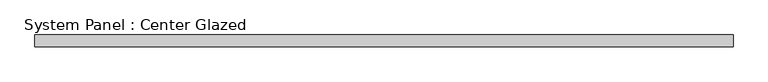
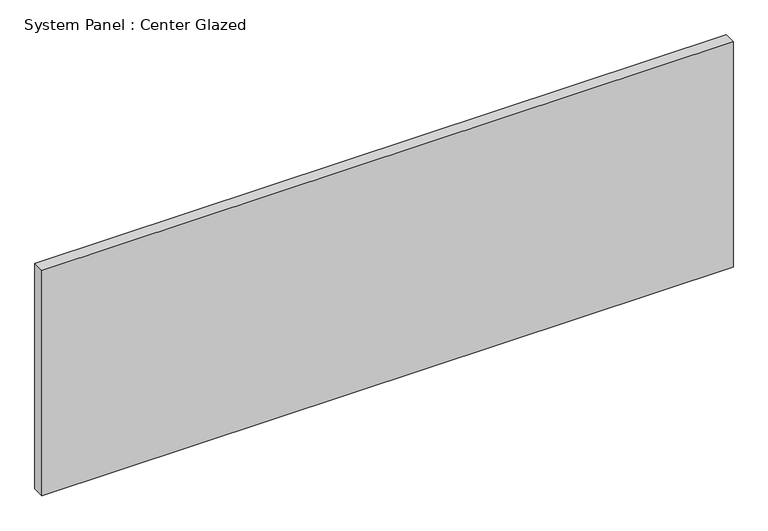
"""IFC4 building model written with IfcOpenShell, lengths in millimetres: plate geometry, System Panel : Center Glazed."""

import ifcopenshell
import ifcopenshell.guid

model = None  # the IFC model being written
_history = None  # IfcOwnerHistory: only IFC2X3 demands one
_inside = {}  # id of a spatial element -> (the spatial element, [elements in it])
_under = {}  # id of a project, library or spatial element -> (it, [spatial elements below it])
_declared = {}  # id of a project -> (the project, [libraries it declares])
_typed = {}  # id of a type object -> (the type object, [elements of that type])
_made_of = {}  # id of a material, layer set ... -> (it, [elements and type objects made of it])


def new_model(schema):
    """Start an empty IFC model of exactly this schema.

    Asked for "IFC4X3", IfcOpenShell would pick the latest addendum, in which some entities
    have other attributes; the version numbers below select the first issue.
    IFC2X3 requires an IfcOwnerHistory on every rooted entity: one is made here for all.
    """
    global model, _history
    if schema == "IFC4X3":
        model = ifcopenshell.file(schema_version=(4, 3, 0, 0))
    else:
        model = ifcopenshell.file(schema=schema)
    _inside.clear()
    _under.clear()
    _declared.clear()
    _typed.clear()
    _made_of.clear()
    _history = None
    if model.schema == "IFC2X3":
        org = make("IfcOrganization", Name="unknown")
        user = make(
            "IfcPersonAndOrganization",
            ThePerson=make("IfcPerson", FamilyName="unknown"),
            TheOrganization=org,
        )
        app = make(
            "IfcApplication",
            ApplicationDeveloper=org,
            Version="unknown",
            ApplicationFullName="unknown",
            ApplicationIdentifier="unknown",
        )
        _history = make(
            "IfcOwnerHistory",
            OwningUser=user,
            OwningApplication=app,
            ChangeAction="ADDED",
            CreationDate=0,
        )
    return model


def make(cls, **values):
    """One entity of the class cls with the attributes given. An attribute that is None is left unset."""
    return model.create_entity(
        cls, **{name: value for name, value in values.items() if value is not None}
    )


def rooted(cls, **values):
    """An entity with a GlobalId (a new one), such as an element, a storey or a relation."""
    return make(cls, GlobalId=ifcopenshell.guid.new(), OwnerHistory=_history, **values)


def si_unit(unit_type, name, prefix=None):
    """IfcSIUnit, for example si_unit("LENGTHUNIT", "METRE", prefix="MILLI")."""
    return make("IfcSIUnit", UnitType=unit_type, Prefix=prefix, Name=name)


def assignment(units):
    """IfcUnitAssignment: the units of a project."""
    return None if units is None else make("IfcUnitAssignment", Units=units)


def point(xyz):
    """IfcCartesianPoint."""
    return None if xyz is None else make("IfcCartesianPoint", Coordinates=xyz)


def direction(xyz):
    """IfcDirection."""
    return None if xyz is None else make("IfcDirection", DirectionRatios=xyz)


def frame(location, z_axis=None, x_axis=None):
    """IfcAxis2Placement3D, a coordinate frame: its origin and axes. An axis left out is left unset."""
    return make(
        "IfcAxis2Placement3D",
        Location=point(location),
        Axis=direction(z_axis),
        RefDirection=direction(x_axis),
    )


def origin():
    """The frame at (0, 0, 0) with its axes left unset."""
    return frame((0.0, 0.0, 0.0))


def origin_with_axes():
    """The frame at (0, 0, 0) with the z axis (0, 0, 1) and the x axis (1, 0, 0) written out."""
    return frame((0.0, 0.0, 0.0), z_axis=(0.0, 0.0, 1.0), x_axis=(1.0, 0.0, 0.0))


def place(relative_to, where):
    """IfcLocalPlacement: puts the frame where relative to a parent placement (None: the world)."""
    return make(
        "IfcLocalPlacement", PlacementRelTo=relative_to, RelativePlacement=where
    )


def context(
    kind, dimensions, precision=None, world=None, true_north=None, identifier=None
):
    """IfcGeometricRepresentationContext, for example the 3D "Model" context."""
    return make(
        "IfcGeometricRepresentationContext",
        ContextIdentifier=identifier,
        ContextType=kind,
        CoordinateSpaceDimension=dimensions,
        Precision=precision,
        WorldCoordinateSystem=world,
        TrueNorth=true_north,
    )


def project(units=None, contexts=None):
    """IfcProject with its units and contexts."""
    return rooted(
        "IfcProject",
        Name="project",
        RepresentationContexts=contexts,
        UnitsInContext=assignment(units),
    )


def spatial(cls, under=None, at=None, **own):
    """A site, building, storey or space (cls), placed at a placement, below another one or the project."""
    s = rooted(cls, ObjectPlacement=at, **own)
    if under is not None:
        _under.setdefault(under.id(), (under, []))[1].append(s)
    return s


def polyline(points):
    """IfcPolyline through the points."""
    return make("IfcPolyline", Points=[point(p) for p in points])


def outline(outer, holes=None, kind="AREA"):
    """IfcArbitraryClosedProfileDef: a profile drawn as a closed curve; with holes, ...WithVoids."""
    if holes is None:
        return make("IfcArbitraryClosedProfileDef", ProfileType=kind, OuterCurve=outer)
    return make(
        "IfcArbitraryProfileDefWithVoids",
        ProfileType=kind,
        OuterCurve=outer,
        InnerCurves=holes,
    )


def extrude(swept, where, along, depth):
    """IfcExtrudedAreaSolid: the profile swept, set in the frame where, extruded along a direction by depth."""
    return make(
        "IfcExtrudedAreaSolid",
        SweptArea=swept,
        Position=where,
        ExtrudedDirection=direction(along),
        Depth=depth,
    )


def shape(context_of_items, identifier, shape_type, items):
    """IfcShapeRepresentation: the items that make up one representation, for example the "Body"."""
    return make(
        "IfcShapeRepresentation",
        ContextOfItems=context_of_items,
        RepresentationIdentifier=identifier,
        RepresentationType=shape_type,
        Items=items,
    )


def source(mapping_origin, context_of_items, identifier, shape_type, items):
    """IfcRepresentationMap: a shape defined once, which mapped items show again and again."""
    return make(
        "IfcRepresentationMap",
        MappingOrigin=mapping_origin,
        MappedRepresentation=shape(context_of_items, identifier, shape_type, items),
    )


def transform(
    local_origin,
    x_axis=None,
    y_axis=None,
    z_axis=None,
    scale=None,
    scale2=None,
    scale3=None,
    uniform=True,
):
    """IfcCartesianTransformationOperator3D, or its non-uniform kind. x_axis, y_axis, z_axis: its Axis1, 2, 3."""
    if uniform:
        return make(
            "IfcCartesianTransformationOperator3D",
            Axis1=direction(x_axis),
            Axis2=direction(y_axis),
            LocalOrigin=point(local_origin),
            Scale=scale,
            Axis3=direction(z_axis),
        )
    return make(
        "IfcCartesianTransformationOperator3DnonUniform",
        Axis1=direction(x_axis),
        Axis2=direction(y_axis),
        LocalOrigin=point(local_origin),
        Scale=scale,
        Axis3=direction(z_axis),
        Scale2=scale2,
        Scale3=scale3,
    )


def mapped(mapping_source, mapping_target):
    """IfcMappedItem: shows the shape of a source again, moved by a transform."""
    return make(
        "IfcMappedItem", MappingSource=mapping_source, MappingTarget=mapping_target
    )


def made_of(thing, what):
    """Note that an element or type object is made of a material, layer set ...; save() writes the relation."""
    if what is not None:
        _made_of.setdefault(what.id(), (what, []))[1].append(thing)
    return thing


def element(
    cls,
    number,
    at=None,
    inside=None,
    cuts=None,
    type_object=None,
    material=None,
    context=None,
    identifier="Body",
    shape_type=None,
    held_by="IfcProductDefinitionShape",
    body=None,
    shapes=None,
    **own,
):
    """One element of the class cls, such as IfcWall. Its Tag is "e" and its number.

    at: its placement. inside: the storey or other place that contains it. cuts: it is an
    opening in that element (IfcRelVoidsElement). A single representation is given by context,
    identifier, shape_type and body (its items); several are given by shapes. held_by: the class
    of the entity that holds the representations. save() writes the other relations.
    """
    e = rooted(cls, Tag="e%d" % number, ObjectPlacement=at, **own)
    if body is not None:
        shapes = [shape(context, identifier, shape_type, body)]
    if shapes is not None:
        e.Representation = make(held_by, Representations=shapes)
    if inside is not None:
        _inside.setdefault(inside.id(), (inside, []))[1].append(e)
    if cuts is not None:
        rooted(
            "IfcRelVoidsElement", RelatingBuildingElement=cuts, RelatedOpeningElement=e
        )
    if type_object is not None:
        _typed.setdefault(type_object.id(), (type_object, []))[1].append(e)
    return made_of(e, material)


def aggregate(whole, parts):
    """IfcRelAggregates: a whole, such as a stair, and the parts it consists of."""
    return rooted("IfcRelAggregates", RelatingObject=whole, RelatedObjects=parts)


def save(model, path):
    """Write the relations noted so far, then the file.

    IfcRelAggregates (storeys below a building ...), IfcRelContainedInSpatialStructure (elements
    in a storey), IfcRelDefinesByType, IfcRelAssociatesMaterial and IfcRelDeclares: one each for
    every whole, place, type object, material and project.
    """
    for whole, parts in _under.values():
        aggregate(whole, parts)
    for where, things in _inside.values():
        rooted(
            "IfcRelContainedInSpatialStructure",
            RelatedElements=things,
            RelatingStructure=where,
        )
    for kind, things in _typed.values():
        rooted("IfcRelDefinesByType", RelatedObjects=things, RelatingType=kind)
    for what, things in _made_of.values():
        rooted("IfcRelAssociatesMaterial", RelatedObjects=things, RelatingMaterial=what)
    for by, libraries in _declared.values():
        rooted("IfcRelDeclares", RelatingContext=by, RelatedDefinitions=libraries)
    model.write(path)


def system_panel_center_glazed_4e3d2fa7(model_context):
    return source(origin(), model_context, "Body", "SweptSolid", [
        extrude(outline(polyline([(736.6, -12.7), (-736.6, -12.7), (-736.6, 12.7), (736.6, 12.7), (736.6, -12.7)])), origin_with_axes(), (0.0, 0.0, 1.0), 508.0),
    ])


if __name__ == "__main__":
    model = new_model("IFC4")
    model_context = context("Model", 3, world=origin())
    ifc_project = project(units=[si_unit("LENGTHUNIT", "METRE", prefix="MILLI")], contexts=[model_context])
    site = spatial("IfcSite", under=ifc_project)
    building = spatial("IfcBuilding", under=site)
    placement = place(None, origin())
    system_panel_center_glazed_shape = system_panel_center_glazed_4e3d2fa7(model_context)
    element("IfcPlate", 1, ObjectType="System Panel : Center Glazed", at=placement, inside=building, context=model_context, shape_type="MappedRepresentation", body=[
        mapped(system_panel_center_glazed_shape, transform((0.0, 0.0, 0.0), x_axis=(1.0, 0.0, 0.0), y_axis=(0.0, 1.0, 0.0), z_axis=(0.0, 0.0, 1.0))),
    ])
    save(model, "model.ifc")
